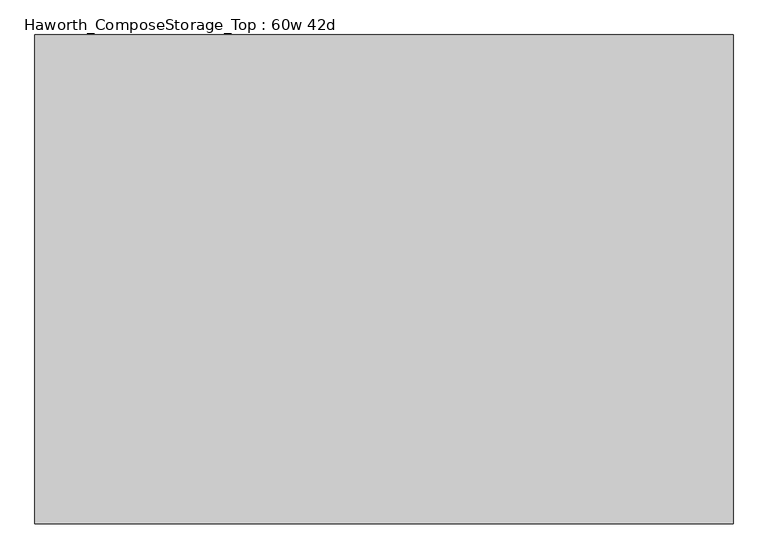
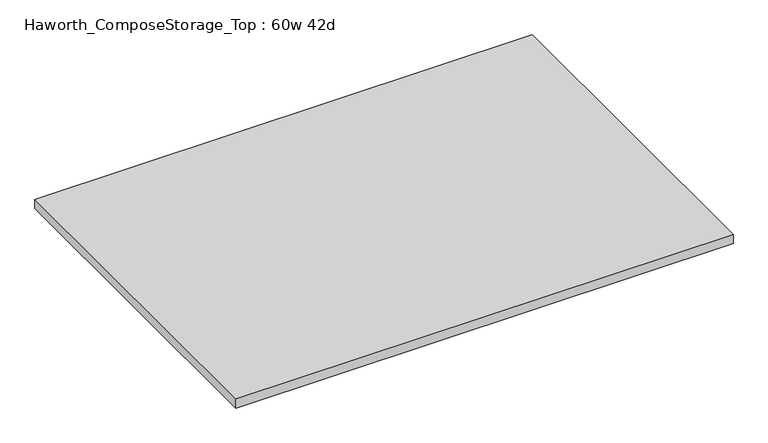
"""IFC4 building model written with IfcOpenShell, lengths in millimetres: furniture geometry, Haworth_ComposeStorage_Top : 60w 42d."""

from ifc_helpers import new_model, si_unit, frame, origin, place, context, project, spatial, polyline, outline, extrude, source, transform, mapped, element, save


def haworth_composestorage_top_60w_42d_3493c44f(model_context):
    return source(origin(), model_context, "Body", "SweptSolid", [
        extrude(outline(polyline([(762.0, 533.4), (762.0, -533.4), (-762.0, -533.4), (-762.0, 533.4), (762.0, 533.4)])), frame((0.0, 0.0, 706.4375), z_axis=(0.0, 0.0, 1.0), x_axis=(1.0, 0.0, 0.0)), (0.0, 0.0, 1.0), 30.1625),
    ])


if __name__ == "__main__":
    model = new_model("IFC4")
    model_context = context("Model", 3, world=origin())
    ifc_project = project(units=[si_unit("LENGTHUNIT", "METRE", prefix="MILLI")], contexts=[model_context])
    site = spatial("IfcSite", under=ifc_project)
    building = spatial("IfcBuilding", under=site)
    placement = place(None, origin())
    haworth_composestorage_top_60w_42d_shape = haworth_composestorage_top_60w_42d_3493c44f(model_context)
    element("IfcFurniture", 1, ObjectType="Haworth_ComposeStorage_Top : 60w 42d", at=placement, inside=building, context=model_context, shape_type="MappedRepresentation", body=[
        mapped(haworth_composestorage_top_60w_42d_shape, transform((0.0, 0.0, 0.0), x_axis=(1.0, 0.0, 0.0), y_axis=(0.0, 1.0, 0.0), z_axis=(0.0, 0.0, 1.0))),
    ])
    save(model, "model.ifc")
